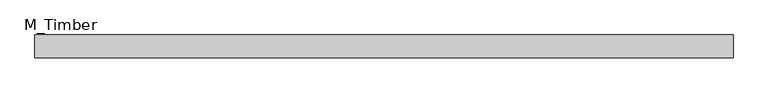
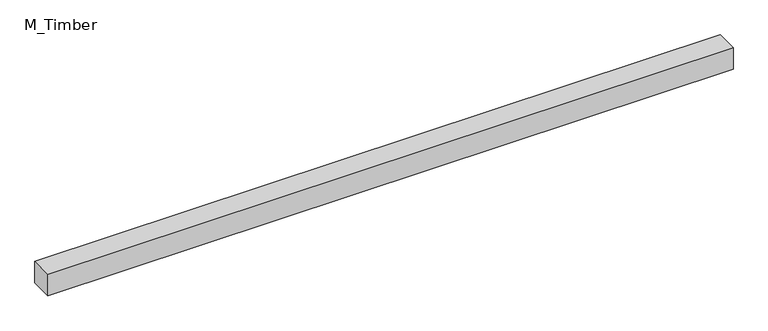
"""IFC4 building model written with IfcOpenShell, lengths in millimetres: beam geometry, M_Timber."""

from ifc_helpers import new_model, si_unit, frame, origin, place, context, project, spatial, polyline, outline, extrude, source, transform, mapped, element, save


def m_timber_6d0b8729(model_context):
    return source(origin(), model_context, "Body", "SweptSolid", [
        extrude(outline(polyline([(606.7301554, 20.0), (606.7301554, -20.0), (-606.7301554, -20.0), (-606.7301554, 20.0), (606.7301554, 20.0)])), frame((0.0, 0.0, -20.0), z_axis=(0.0, 0.0, 1.0), x_axis=(1.0, 0.0, 0.0)), (0.0, 0.0, 1.0), 40.0),
    ])


if __name__ == "__main__":
    model = new_model("IFC4")
    model_context = context("Model", 3, world=origin())
    ifc_project = project(units=[si_unit("LENGTHUNIT", "METRE", prefix="MILLI")], contexts=[model_context])
    site = spatial("IfcSite", under=ifc_project)
    building = spatial("IfcBuilding", under=site)
    placement = place(None, origin())
    m_timber_shape = m_timber_6d0b8729(model_context)
    element("IfcBeam", 1, ObjectType="M_Timber", at=placement, inside=building, context=model_context, shape_type="MappedRepresentation", body=[
        mapped(m_timber_shape, transform((0.0, 0.0, 0.0), x_axis=(1.0, 0.0, 0.0), y_axis=(0.0, 1.0, 0.0), z_axis=(0.0, 0.0, 1.0))),
    ])
    save(model, "model.ifc")
